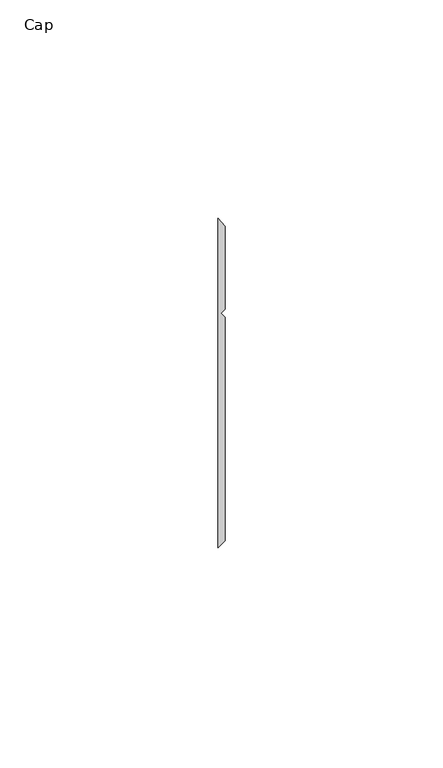
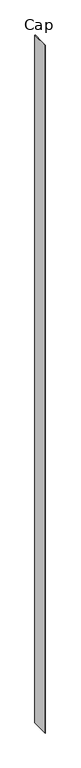
"""IFC4 building model written with IfcOpenShell, lengths in millimetres: furniture geometry, Cap."""

from ifc_helpers import new_model, si_unit, origin, origin_with_axes, place, context, project, spatial, polyline, outline, extrude, source, transform, mapped, element, save


def cap_ea3f8d25(model_context):
    return source(origin(), model_context, "Body", "SweptSolid", [
        extrude(outline(polyline([(29.9771531, -15.5565637), (29.9771531, 59.951805), (31.5646531, 58.0797005), (31.5646531, 39.033865), (30.6563205, 38.1255324), (31.5646531, 37.2171998), (31.5646531, -13.9690637), (29.9771531, -15.5565637)])), origin_with_axes(), (0.0, 0.0, 1.0), 3048.0),
    ])


if __name__ == "__main__":
    model = new_model("IFC4")
    model_context = context("Model", 3, world=origin())
    ifc_project = project(units=[si_unit("LENGTHUNIT", "METRE", prefix="MILLI")], contexts=[model_context])
    site = spatial("IfcSite", under=ifc_project)
    building = spatial("IfcBuilding", under=site)
    placement = place(None, origin())
    cap_shape = cap_ea3f8d25(model_context)
    element("IfcFurniture", 1, ObjectType="Cap", at=placement, inside=building, context=model_context, shape_type="MappedRepresentation", body=[
        mapped(cap_shape, transform((0.0, 0.0, 0.0), x_axis=(1.0, 0.0, 0.0), y_axis=(0.0, 1.0, 0.0), z_axis=(0.0, 0.0, 1.0))),
    ])
    save(model, "model.ifc")
